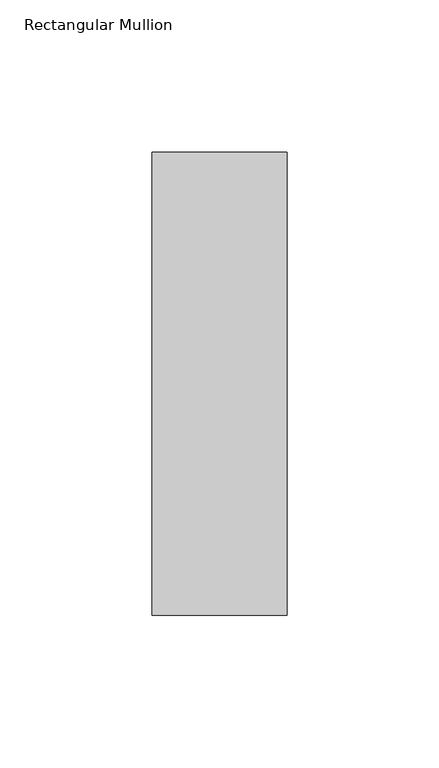
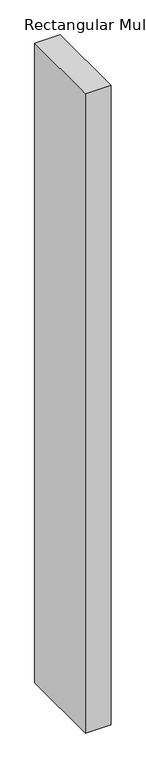
"""IFC4 building model written with IfcOpenShell, lengths in millimetres: member geometry, Rectangular Mullion."""

from ifc_helpers import new_model, si_unit, frame, origin, place, context, project, spatial, polyline, outline, extrude, source, transform, mapped, element, save


def rectangular_mullion_3cbedc94(model_context):
    return source(origin(), model_context, "Body", "SweptSolid", [
        extrude(outline(polyline([(0.0, 76.1906616), (0.0, -76.1906616), (-44.45, -76.1906616), (-44.45, 76.1906616), (0.0, 76.1906616)])), frame((0.0, 0.0, -1174.75), z_axis=(0.0, 0.0, 1.0), x_axis=(1.0, 0.0, 0.0)), (0.0, 0.0, 1.0), 1174.75),
    ])


if __name__ == "__main__":
    model = new_model("IFC4")
    model_context = context("Model", 3, world=origin())
    ifc_project = project(units=[si_unit("LENGTHUNIT", "METRE", prefix="MILLI")], contexts=[model_context])
    site = spatial("IfcSite", under=ifc_project)
    building = spatial("IfcBuilding", under=site)
    placement = place(None, origin())
    rectangular_mullion_shape = rectangular_mullion_3cbedc94(model_context)
    element("IfcMember", 1, ObjectType="Rectangular Mullion", at=placement, inside=building, context=model_context, shape_type="MappedRepresentation", body=[
        mapped(rectangular_mullion_shape, transform((0.0, 0.0, 0.0), x_axis=(1.0, 0.0, 0.0), y_axis=(0.0, 1.0, 0.0), z_axis=(0.0, 0.0, 1.0))),
    ])
    save(model, "model.ifc")
